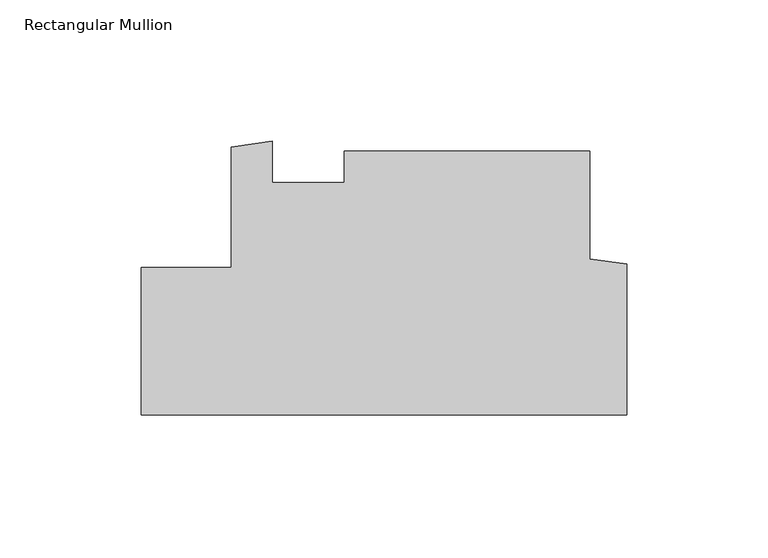
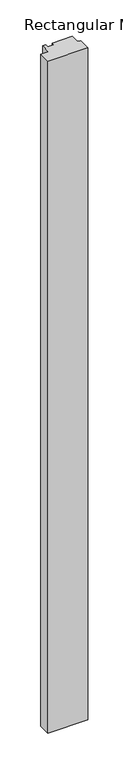
"""IFC4 building model written with IfcOpenShell, lengths in millimetres: member geometry, Rectangular Mullion."""

from ifc_helpers import new_model, si_unit, frame, origin, place, context, project, spatial, polyline, outline, extrude, source, transform, mapped, element, save


def rectangular_mullion_1259db84(model_context):
    return source(origin(), model_context, "Body", "SweptSolid", [
        extrude(outline(polyline([(-171.4499999, 0.8015423), (-139.7010309, 0.8015423), (-139.7010309, 43.4169246), (-125.165484, 45.4770809), (-125.165484, 30.9640424), (-99.7975059, 30.9640424), (-99.7975059, 42.0765424), (-12.9550309, 42.0765424), (-12.9550309, 3.8116318), (0.0, 1.9947665), (0.0, -51.2684573), (-171.4499999, -51.2684573), (-171.4499999, 0.8015423)])), frame((0.0, 0.0, -3048.0), z_axis=(0.0, 0.0, 1.0), x_axis=(1.0, 0.0, 0.0)), (0.0, 0.0, 1.0), 3048.0),
    ])


if __name__ == "__main__":
    model = new_model("IFC4")
    model_context = context("Model", 3, world=origin())
    ifc_project = project(units=[si_unit("LENGTHUNIT", "METRE", prefix="MILLI")], contexts=[model_context])
    site = spatial("IfcSite", under=ifc_project)
    building = spatial("IfcBuilding", under=site)
    placement = place(None, origin())
    rectangular_mullion_shape = rectangular_mullion_1259db84(model_context)
    element("IfcMember", 1, ObjectType="Rectangular Mullion", at=placement, inside=building, context=model_context, shape_type="MappedRepresentation", body=[
        mapped(rectangular_mullion_shape, transform((0.0, 0.0, 0.0), x_axis=(1.0, 0.0, 0.0), y_axis=(0.0, 1.0, 0.0), z_axis=(0.0, 0.0, 1.0))),
    ])
    save(model, "model.ifc")
